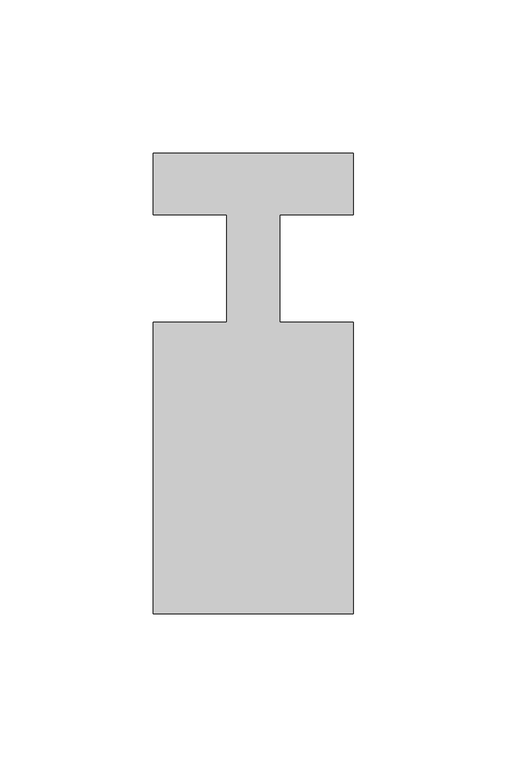
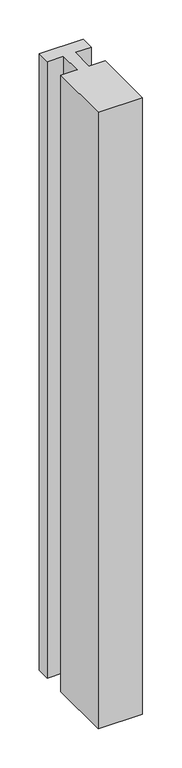
"""IFC4 building model written with IfcOpenShell, lengths in millimetres: member geometry."""

from ifc_helpers import new_model, si_unit, frame, origin, place, context, project, spatial, polyline, outline, extrude, source, transform, mapped, element, save


def member_9b5247a7(model_context):
    return source(origin(), model_context, "Body", "SweptSolid", [
        extrude(outline(polyline([(-65.0, 37.0), (0.0, 37.0), (0.0, 17.0), (-23.8125, 17.0), (-23.8125, -18.0), (0.0, -18.0), (0.0, -113.0), (-65.0, -113.0), (-65.0, -18.0), (-41.1875, -18.0), (-41.1875, 17.0), (-65.0, 17.0), (-65.0, 37.0)])), frame((0.0, 0.0, -958.8125), z_axis=(0.0, 0.0, 1.0), x_axis=(1.0, 0.0, 0.0)), (0.0, 0.0, 1.0), 958.8125),
    ])


if __name__ == "__main__":
    model = new_model("IFC4")
    model_context = context("Model", 3, world=origin())
    ifc_project = project(units=[si_unit("LENGTHUNIT", "METRE", prefix="MILLI")], contexts=[model_context])
    site = spatial("IfcSite", under=ifc_project)
    building = spatial("IfcBuilding", under=site)
    placement = place(None, origin())
    member_shape = member_9b5247a7(model_context)
    element("IfcMember", 1, at=placement, inside=building, context=model_context, shape_type="MappedRepresentation", body=[
        mapped(member_shape, transform((0.0, 0.0, 0.0), x_axis=(1.0, 0.0, 0.0), y_axis=(0.0, 1.0, 0.0), z_axis=(0.0, 0.0, 1.0))),
    ])
    save(model, "model.ifc")
